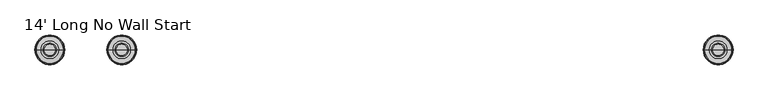
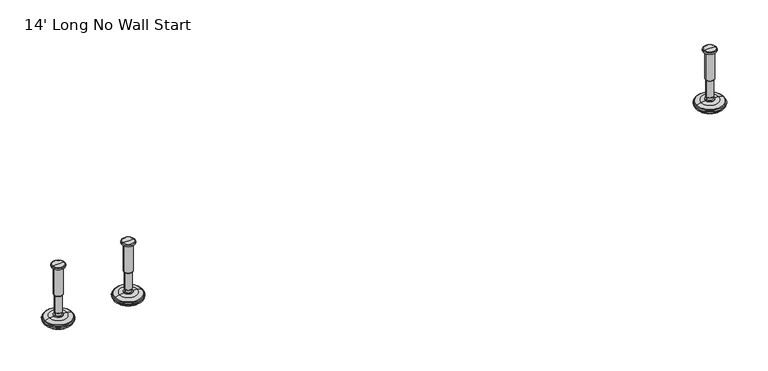
"""IFC4 building model written with IfcOpenShell, lengths in millimetres: furniture geometry, 14' Long No Wall Start."""

from ifc_helpers import new_model, si_unit, frame, origin, place, context, project, spatial, polyline, circle_curve, source, transform, mapped, element, save
from ifc_brep_helpers import plane_surface, cylinder_surface, revolved_surface, advanced_brep


def furniture_14_long_no_wall_start_33c42f15(model_context):
    return source(origin(), model_context, "Body", "AdvancedBrep", [
        advanced_brep(
        [(3257.7364323, 0.0, 101.6), (3266.7143537, 0.0, 101.6), (3248.7585109, 0.0, 101.6), (3271.8406722, 0.0, 0.0206943), (3257.7364323, 0.0, 0.0206943), (3243.6321924, 0.0, 0.0206943), (3276.718704, 0.0, 1.4194474), (3238.7541606, 0.0, 1.4194474), (3280.480619, 0.0, 4.7394056), (3234.9922456, 0.0, 4.7394056), (3281.5980686, 0.0, 7.5051905), (3233.874796, 0.0, 7.5051905), (3281.5980686, 0.0, 8.3065967), (3233.874796, 0.0, 8.3065967), (3280.7556654, 0.0, 9.8469348), (3234.7171992, 0.0, 9.8469348), (3279.6555228, 0.0, 10.8375077), (3235.8173418, 0.0, 10.8375077), (3272.3518276, 0.0, 12.7338946), (3243.121037, 0.0, 12.7338946), (3264.9336762, 0.0, 13.3828987), (3250.5391884, 0.0, 13.3828987), (3264.9336762, 0.0, 14.1772758), (3250.5391884, 0.0, 14.1772758), (3262.5368834, 0.0, 14.1772758), (3252.9359812, 0.0, 14.1772758), (3262.5368834, 0.0, 18.8098403), (3252.9359812, 0.0, 18.8098403), (3263.552736, 0.0, 19.8256929), (3251.9201286, 0.0, 19.8256929), (3263.552736, 0.0, 48.3056352), (3251.9201286, 0.0, 48.3056352), (3264.7762639, 0.0, 49.9293116), (3250.6966007, 0.0, 49.9293116), (3264.7762639, 0.0, 97.327223), (3250.6966007, 0.0, 97.327223), (3265.6573683, 0.0, 97.6479188), (3249.8154963, 0.0, 97.6479188), (3266.7063572, 0.0, 97.6479188), (3248.7665074, 0.0, 97.6479188), (3268.3713871, 0.0, 98.6092242), (3247.1014775, 0.0, 98.6092242), (3268.3713871, 0.0, 100.6043539), (3247.1014775, 0.0, 100.6043539)],
        [
            (0, 1),
            (1, 2, circle_curve(frame((3257.7364323, 0.0, 101.6), z_axis=(0.0, 0.0, 1.0), x_axis=(-1.0, 0.0, 0.0)), 8.9779214)),
            (2, 0),
            (2, 1, circle_curve(frame((3257.7364323, 0.0, 101.6), z_axis=(0.0, 0.0, 1.0), x_axis=(-1.0, 0.0, 0.0)), 8.9779214)),
            (3, 4),
            (4, 5),
            (5, 3, circle_curve(frame((3257.7364323, 0.0, 0.0206943), z_axis=(0.0, 0.0, -1.0), x_axis=(-1.0, 0.0, 0.0)), 14.1042399)),
            (3, 5, circle_curve(frame((3257.7364323, 0.0, 0.0206943), z_axis=(0.0, 0.0, -1.0), x_axis=(-1.0, 0.0, 0.0)), 14.1042399)),
            (6, 3),
            (5, 7),
            (7, 6, circle_curve(frame((3257.7364323, 0.0, 1.4194474), z_axis=(0.0, 0.0, -1.0), x_axis=(-1.0, 0.0, 0.0)), 18.9822717)),
            (6, 7, circle_curve(frame((3257.7364323, 0.0, 1.4194474), z_axis=(0.0, 0.0, -1.0), x_axis=(-1.0, 0.0, 0.0)), 18.9822717)),
            (8, 6),
            (7, 9),
            (9, 8, circle_curve(frame((3257.7364323, 0.0, 4.7394056), z_axis=(0.0, 0.0, -1.0), x_axis=(-1.0, 0.0, 0.0)), 22.7441867)),
            (8, 9, circle_curve(frame((3257.7364323, 0.0, 4.7394056), z_axis=(0.0, 0.0, -1.0), x_axis=(-1.0, 0.0, 0.0)), 22.7441867)),
            (10, 8),
            (9, 11),
            (11, 10, circle_curve(frame((3257.7364323, 0.0, 7.5051905), z_axis=(0.0, 0.0, -1.0), x_axis=(-1.0, 0.0, 0.0)), 23.8616363)),
            (10, 11, circle_curve(frame((3257.7364323, 0.0, 7.5051905), z_axis=(0.0, 0.0, -1.0), x_axis=(-1.0, 0.0, 0.0)), 23.8616363)),
            (12, 10),
            (11, 13),
            (13, 12, circle_curve(frame((3257.7364323, 0.0, 8.3065967), z_axis=(0.0, 0.0, -1.0), x_axis=(-1.0, 0.0, 0.0)), 23.8616363)),
            (12, 13, circle_curve(frame((3257.7364323, 0.0, 8.3065967), z_axis=(0.0, 0.0, -1.0), x_axis=(-1.0, 0.0, 0.0)), 23.8616363)),
            (14, 12),
            (13, 15),
            (15, 14, circle_curve(frame((3257.7364323, 0.0, 9.8469348), z_axis=(0.0, 0.0, -1.0), x_axis=(-1.0, 0.0, 0.0)), 23.0192331)),
            (14, 15, circle_curve(frame((3257.7364323, 0.0, 9.8469348), z_axis=(0.0, 0.0, -1.0), x_axis=(-1.0, 0.0, 0.0)), 23.0192331)),
            (16, 14),
            (15, 17),
            (17, 16, circle_curve(frame((3257.7364323, 0.0, 10.8375077), z_axis=(0.0, 0.0, -1.0), x_axis=(-1.0, 0.0, 0.0)), 21.9190905)),
            (16, 17, circle_curve(frame((3257.7364323, 0.0, 10.8375077), z_axis=(0.0, 0.0, -1.0), x_axis=(-1.0, 0.0, 0.0)), 21.9190905)),
            (18, 16),
            (17, 19),
            (19, 18, circle_curve(frame((3257.7364323, 0.0, 12.7338946), z_axis=(0.0, 0.0, -1.0), x_axis=(-1.0, 0.0, 0.0)), 14.6153953)),
            (18, 19, circle_curve(frame((3257.7364323, 0.0, 12.7338946), z_axis=(0.0, 0.0, -1.0), x_axis=(-1.0, 0.0, 0.0)), 14.6153953)),
            (20, 18),
            (19, 21),
            (21, 20, circle_curve(frame((3257.7364323, 0.0, 13.3828987), z_axis=(0.0, 0.0, -1.0), x_axis=(-1.0, 0.0, 0.0)), 7.1972439)),
            (20, 21, circle_curve(frame((3257.7364323, 0.0, 13.3828987), z_axis=(0.0, 0.0, -1.0), x_axis=(-1.0, 0.0, 0.0)), 7.1972439)),
            (22, 20),
            (21, 23),
            (23, 22, circle_curve(frame((3257.7364323, 0.0, 14.1772758), z_axis=(0.0, 0.0, -1.0), x_axis=(-1.0, 0.0, 0.0)), 7.1972439)),
            (22, 23, circle_curve(frame((3257.7364323, 0.0, 14.1772758), z_axis=(0.0, 0.0, -1.0), x_axis=(-1.0, 0.0, 0.0)), 7.1972439)),
            (24, 22),
            (23, 25),
            (25, 24, circle_curve(frame((3257.7364323, 0.0, 14.1772758), z_axis=(0.0, 0.0, -1.0), x_axis=(-1.0, 0.0, 0.0)), 4.8004511)),
            (24, 25, circle_curve(frame((3257.7364323, 0.0, 14.1772758), z_axis=(0.0, 0.0, -1.0), x_axis=(-1.0, 0.0, 0.0)), 4.8004511)),
            (26, 24),
            (25, 27),
            (27, 26, circle_curve(frame((3257.7364323, 0.0, 18.8098403), z_axis=(0.0, 0.0, -1.0), x_axis=(-1.0, 0.0, 0.0)), 4.8004511)),
            (26, 27, circle_curve(frame((3257.7364323, 0.0, 18.8098403), z_axis=(0.0, 0.0, -1.0), x_axis=(-1.0, 0.0, 0.0)), 4.8004511)),
            (28, 26),
            (27, 29),
            (29, 28, circle_curve(frame((3257.7364323, 0.0, 19.8256929), z_axis=(0.0, 0.0, -1.0), x_axis=(-1.0, 0.0, 0.0)), 5.8163037)),
            (28, 29, circle_curve(frame((3257.7364323, 0.0, 19.8256929), z_axis=(0.0, 0.0, -1.0), x_axis=(-1.0, 0.0, 0.0)), 5.8163037)),
            (30, 28),
            (29, 31),
            (31, 30, circle_curve(frame((3257.7364323, 0.0, 48.3056352), z_axis=(0.0, 0.0, -1.0), x_axis=(-1.0, 0.0, 0.0)), 5.8163037)),
            (30, 31, circle_curve(frame((3257.7364323, 0.0, 48.3056352), z_axis=(0.0, 0.0, -1.0), x_axis=(-1.0, 0.0, 0.0)), 5.8163037)),
            (32, 30),
            (31, 33),
            (33, 32, circle_curve(frame((3257.7364323, 0.0, 49.9293116), z_axis=(0.0, 0.0, -1.0), x_axis=(-1.0, 0.0, 0.0)), 7.0398316)),
            (32, 33, circle_curve(frame((3257.7364323, 0.0, 49.9293116), z_axis=(0.0, 0.0, -1.0), x_axis=(-1.0, 0.0, 0.0)), 7.0398316)),
            (34, 32),
            (33, 35),
            (35, 34, circle_curve(frame((3257.7364323, 0.0, 97.327223), z_axis=(0.0, 0.0, -1.0), x_axis=(-1.0, 0.0, 0.0)), 7.0398316)),
            (34, 35, circle_curve(frame((3257.7364323, 0.0, 97.327223), z_axis=(0.0, 0.0, -1.0), x_axis=(-1.0, 0.0, 0.0)), 7.0398316)),
            (36, 34),
            (35, 37),
            (37, 36, circle_curve(frame((3257.7364323, 0.0, 97.6479188), z_axis=(0.0, 0.0, -1.0), x_axis=(-1.0, 0.0, 0.0)), 7.920936)),
            (36, 37, circle_curve(frame((3257.7364323, 0.0, 97.6479188), z_axis=(0.0, 0.0, -1.0), x_axis=(-1.0, 0.0, 0.0)), 7.920936)),
            (38, 36),
            (37, 39),
            (39, 38, circle_curve(frame((3257.7364323, 0.0, 97.6479188), z_axis=(0.0, 0.0, -1.0), x_axis=(-1.0, 0.0, 0.0)), 8.9699249)),
            (38, 39, circle_curve(frame((3257.7364323, 0.0, 97.6479188), z_axis=(0.0, 0.0, -1.0), x_axis=(-1.0, 0.0, 0.0)), 8.9699249)),
            (40, 38),
            (39, 41),
            (41, 40, circle_curve(frame((3257.7364323, 0.0, 98.6092242), z_axis=(0.0, 0.0, -1.0), x_axis=(-1.0, 0.0, 0.0)), 10.6349548)),
            (40, 41, circle_curve(frame((3257.7364323, 0.0, 98.6092242), z_axis=(0.0, 0.0, -1.0), x_axis=(-1.0, 0.0, 0.0)), 10.6349548)),
            (42, 40),
            (41, 43),
            (43, 42, circle_curve(frame((3257.7364323, 0.0, 100.6043539), z_axis=(0.0, 0.0, -1.0), x_axis=(-1.0, 0.0, 0.0)), 10.6349548)),
            (42, 43, circle_curve(frame((3257.7364323, 0.0, 100.6043539), z_axis=(0.0, 0.0, -1.0), x_axis=(-1.0, 0.0, 0.0)), 10.6349548)),
            (1, 42),
            (43, 2),
        ],
        [
            plane_surface(frame((3257.7364323, 0.0, 101.6), z_axis=(0.0, 0.0, 1.0), x_axis=(-1.0, 0.0, 0.0))),
            plane_surface(frame((3257.7364323, 0.0, 0.0206943), z_axis=(0.0, 0.0, -1.0), x_axis=(-1.0, 0.0, 0.0))),
            revolved_surface(polyline([(3243.6321924, 0.0, 0.0206943), (3238.7541606, 0.0, 1.4194474)]), (3257.7364323, 0.0, 101.6), (0.0, 0.0, 1.0)),
            revolved_surface(polyline([(3238.7541606, 0.0, 1.4194474), (3234.9922456, 0.0, 4.7394056)]), (3257.7364323, 0.0, 101.6), (0.0, 0.0, 1.0)),
            revolved_surface(polyline([(3234.9922456, 0.0, 4.7394056), (3233.874796, 0.0, 7.5051905)]), (3257.7364323, 0.0, 101.6), (0.0, 0.0, 1.0)),
            cylinder_surface(frame((3257.7364323, 0.0, 101.6), z_axis=(0.0, 0.0, 1.0), x_axis=(-1.0, 0.0, 0.0)), 23.8616363),
            revolved_surface(polyline([(3233.874796, 0.0, 8.3065967), (3234.7171992, 0.0, 9.8469348)]), (3257.7364323, 0.0, 101.6), (0.0, 0.0, 1.0)),
            revolved_surface(polyline([(3234.7171992, 0.0, 9.8469348), (3235.8173418, 0.0, 10.8375077)]), (3257.7364323, 0.0, 101.6), (0.0, 0.0, 1.0)),
            revolved_surface(polyline([(3235.8173418, 0.0, 10.8375077), (3243.121037, 0.0, 12.7338946)]), (3257.7364323, 0.0, 101.6), (0.0, 0.0, 1.0)),
            revolved_surface(polyline([(3243.121037, 0.0, 12.7338946), (3250.5391884, 0.0, 13.3828987)]), (3257.7364323, 0.0, 101.6), (0.0, 0.0, 1.0)),
            cylinder_surface(frame((3257.7364323, 0.0, 101.6), z_axis=(0.0, 0.0, 1.0), x_axis=(-1.0, 0.0, 0.0)), 7.1972439),
            plane_surface(frame((3257.7364323, 0.0, 14.1772758), z_axis=(0.0, 0.0, 1.0), x_axis=(-1.0, 0.0, 0.0))),
            cylinder_surface(frame((3257.7364323, 0.0, 101.6), z_axis=(0.0, 0.0, 1.0), x_axis=(-1.0, 0.0, 0.0)), 4.8004511),
            revolved_surface(polyline([(3252.9359812, 0.0, 18.8098403), (3251.9201286, 0.0, 19.8256929)]), (3257.7364323, 0.0, 101.6), (0.0, 0.0, 1.0)),
            cylinder_surface(frame((3257.7364323, 0.0, 101.6), z_axis=(0.0, 0.0, 1.0), x_axis=(-1.0, 0.0, 0.0)), 5.8163037),
            revolved_surface(polyline([(3251.9201286, 0.0, 48.3056352), (3250.6966007, 0.0, 49.9293116)]), (3257.7364323, 0.0, 101.6), (0.0, 0.0, 1.0)),
            cylinder_surface(frame((3257.7364323, 0.0, 101.6), z_axis=(0.0, 0.0, 1.0), x_axis=(-1.0, 0.0, 0.0)), 7.0398316),
            revolved_surface(polyline([(3250.6966007, 0.0, 97.327223), (3249.8154963, 0.0, 97.6479188)]), (3257.7364323, 0.0, 101.6), (0.0, 0.0, 1.0)),
            plane_surface(frame((3257.7364323, 0.0, 97.6479188), z_axis=(0.0, 0.0, -1.0), x_axis=(-1.0, 0.0, 0.0))),
            revolved_surface(polyline([(3248.7665074, 0.0, 97.6479188), (3247.1014775, 0.0, 98.6092242)]), (3257.7364323, 0.0, 101.6), (0.0, 0.0, 1.0)),
            cylinder_surface(frame((3257.7364323, 0.0, 101.6), z_axis=(0.0, 0.0, 1.0), x_axis=(-1.0, 0.0, 0.0)), 10.6349548),
            revolved_surface(polyline([(3247.1014775, 0.0, 100.6043539), (3248.7585109, 0.0, 101.6)]), (3257.7364323, 0.0, 101.6), (0.0, 0.0, 1.0)),
        ],
        [
            (0, [[1, 2, 3]]),
            (0, [[-3, 4, -1]]),
            (1, [[5, 6, 7]]),
            (1, [[-6, -5, 8]]),
            (2, [[9, -7, 10, 11]]),
            (2, [[-10, -8, -9, 12]]),
            (3, [[13, -11, 14, 15]]),
            (3, [[-14, -12, -13, 16]]),
            (4, [[17, -15, 18, 19]]),
            (4, [[-18, -16, -17, 20]]),
            (5, [[21, -19, 22, 23]]),
            (5, [[-22, -20, -21, 24]]),
            (6, [[25, -23, 26, 27]]),
            (6, [[-26, -24, -25, 28]]),
            (7, [[29, -27, 30, 31]]),
            (7, [[-30, -28, -29, 32]]),
            (8, [[33, -31, 34, 35]]),
            (8, [[-34, -32, -33, 36]]),
            (9, [[37, -35, 38, 39]]),
            (9, [[-38, -36, -37, 40]]),
            (10, [[41, -39, 42, 43]]),
            (10, [[-42, -40, -41, 44]]),
            (11, [[45, -43, 46, 47]]),
            (11, [[-46, -44, -45, 48]]),
            (12, [[49, -47, 50, 51]]),
            (12, [[-50, -48, -49, 52]]),
            (13, [[53, -51, 54, 55]]),
            (13, [[-54, -52, -53, 56]]),
            (14, [[57, -55, 58, 59]]),
            (14, [[-58, -56, -57, 60]]),
            (15, [[61, -59, 62, 63]]),
            (15, [[-62, -60, -61, 64]]),
            (16, [[65, -63, 66, 67]]),
            (16, [[-66, -64, -65, 68]]),
            (17, [[69, -67, 70, 71]]),
            (17, [[-70, -68, -69, 72]]),
            (18, [[73, -71, 74, 75]]),
            (18, [[-74, -72, -73, 76]]),
            (19, [[77, -75, 78, 79]]),
            (19, [[-78, -76, -77, 80]]),
            (20, [[81, -79, 82, 83]]),
            (20, [[-82, -80, -81, 84]]),
            (21, [[85, -83, 86, -2]]),
            (21, [[-86, -84, -85, -4]]),
        ],
    ),
        advanced_brep(
        [(3143.0635677, 0.0, 101.6), (3152.0414891, 0.0, 101.6), (3134.0856463, 0.0, 101.6), (3128.9593278, 0.0, 0.0206943), (3157.1678076, 0.0, 0.0206943), (3143.0635677, 0.0, 0.0206943), (3124.081296, 0.0, 1.4194474), (3162.0458394, 0.0, 1.4194474), (3120.319381, 0.0, 4.7394056), (3165.8077544, 0.0, 4.7394056), (3119.2019314, 0.0, 7.5051905), (3166.925204, 0.0, 7.5051905), (3119.2019314, 0.0, 8.3065967), (3166.925204, 0.0, 8.3065967), (3120.0443346, 0.0, 9.8469348), (3166.0828008, 0.0, 9.8469348), (3121.1444772, 0.0, 10.8375077), (3164.9826582, 0.0, 10.8375077), (3128.4481724, 0.0, 12.7338946), (3157.678963, 0.0, 12.7338946), (3135.8663238, 0.0, 13.3828987), (3150.2608116, 0.0, 13.3828987), (3135.8663238, 0.0, 14.1772758), (3150.2608116, 0.0, 14.1772758), (3138.2631166, 0.0, 14.1772758), (3147.8640188, 0.0, 14.1772758), (3138.2631166, 0.0, 18.8098403), (3147.8640188, 0.0, 18.8098403), (3137.247264, 0.0, 19.8256929), (3148.8798714, 0.0, 19.8256929), (3137.247264, 0.0, 48.3056352), (3148.8798714, 0.0, 48.3056352), (3136.0237361, 0.0, 49.9293116), (3150.1033993, 0.0, 49.9293116), (3136.0237361, 0.0, 97.327223), (3150.1033993, 0.0, 97.327223), (3135.1426317, 0.0, 97.6479188), (3150.9845037, 0.0, 97.6479188), (3134.0936428, 0.0, 97.6479188), (3152.0334926, 0.0, 97.6479188), (3132.4286129, 0.0, 98.6092242), (3153.6985225, 0.0, 98.6092242), (3132.4286129, 0.0, 100.6043539), (3153.6985225, 0.0, 100.6043539)],
        [
            (0, 1),
            (1, 2, circle_curve(frame((3143.0635677, 0.0, 101.6), z_axis=(0.0, 0.0, 1.0), x_axis=(1.0, 0.0, 0.0)), 8.9779214)),
            (2, 0),
            (2, 1, circle_curve(frame((3143.0635677, 0.0, 101.6), z_axis=(0.0, 0.0, 1.0), x_axis=(1.0, 0.0, 0.0)), 8.9779214)),
            (3, 4, circle_curve(frame((3143.0635677, 0.0, 0.0206943), z_axis=(0.0, 0.0, -1.0), x_axis=(1.0, 0.0, 0.0)), 14.1042399)),
            (4, 5),
            (5, 3),
            (4, 3, circle_curve(frame((3143.0635677, 0.0, 0.0206943), z_axis=(0.0, 0.0, -1.0), x_axis=(1.0, 0.0, 0.0)), 14.1042399)),
            (6, 7, circle_curve(frame((3143.0635677, 0.0, 1.4194474), z_axis=(0.0, 0.0, -1.0), x_axis=(1.0, 0.0, 0.0)), 18.9822717)),
            (7, 4),
            (3, 6),
            (7, 6, circle_curve(frame((3143.0635677, 0.0, 1.4194474), z_axis=(0.0, 0.0, -1.0), x_axis=(1.0, 0.0, 0.0)), 18.9822717)),
            (8, 9, circle_curve(frame((3143.0635677, 0.0, 4.7394056), z_axis=(0.0, 0.0, -1.0), x_axis=(1.0, 0.0, 0.0)), 22.7441867)),
            (9, 7),
            (6, 8),
            (9, 8, circle_curve(frame((3143.0635677, 0.0, 4.7394056), z_axis=(0.0, 0.0, -1.0), x_axis=(1.0, 0.0, 0.0)), 22.7441867)),
            (10, 11, circle_curve(frame((3143.0635677, 0.0, 7.5051905), z_axis=(0.0, 0.0, -1.0), x_axis=(1.0, 0.0, 0.0)), 23.8616363)),
            (11, 9),
            (8, 10),
            (11, 10, circle_curve(frame((3143.0635677, 0.0, 7.5051905), z_axis=(0.0, 0.0, -1.0), x_axis=(1.0, 0.0, 0.0)), 23.8616363)),
            (12, 13, circle_curve(frame((3143.0635677, 0.0, 8.3065967), z_axis=(0.0, 0.0, -1.0), x_axis=(1.0, 0.0, 0.0)), 23.8616363)),
            (13, 11),
            (10, 12),
            (13, 12, circle_curve(frame((3143.0635677, 0.0, 8.3065967), z_axis=(0.0, 0.0, -1.0), x_axis=(1.0, 0.0, 0.0)), 23.8616363)),
            (14, 15, circle_curve(frame((3143.0635677, 0.0, 9.8469348), z_axis=(0.0, 0.0, -1.0), x_axis=(1.0, 0.0, 0.0)), 23.0192331)),
            (15, 13),
            (12, 14),
            (15, 14, circle_curve(frame((3143.0635677, 0.0, 9.8469348), z_axis=(0.0, 0.0, -1.0), x_axis=(1.0, 0.0, 0.0)), 23.0192331)),
            (16, 17, circle_curve(frame((3143.0635677, 0.0, 10.8375077), z_axis=(0.0, 0.0, -1.0), x_axis=(1.0, 0.0, 0.0)), 21.9190905)),
            (17, 15),
            (14, 16),
            (17, 16, circle_curve(frame((3143.0635677, 0.0, 10.8375077), z_axis=(0.0, 0.0, -1.0), x_axis=(1.0, 0.0, 0.0)), 21.9190905)),
            (18, 19, circle_curve(frame((3143.0635677, 0.0, 12.7338946), z_axis=(0.0, 0.0, -1.0), x_axis=(1.0, 0.0, 0.0)), 14.6153953)),
            (19, 17),
            (16, 18),
            (19, 18, circle_curve(frame((3143.0635677, 0.0, 12.7338946), z_axis=(0.0, 0.0, -1.0), x_axis=(1.0, 0.0, 0.0)), 14.6153953)),
            (20, 21, circle_curve(frame((3143.0635677, 0.0, 13.3828987), z_axis=(0.0, 0.0, -1.0), x_axis=(1.0, 0.0, 0.0)), 7.1972439)),
            (21, 19),
            (18, 20),
            (21, 20, circle_curve(frame((3143.0635677, 0.0, 13.3828987), z_axis=(0.0, 0.0, -1.0), x_axis=(1.0, 0.0, 0.0)), 7.1972439)),
            (22, 23, circle_curve(frame((3143.0635677, 0.0, 14.1772758), z_axis=(0.0, 0.0, -1.0), x_axis=(1.0, 0.0, 0.0)), 7.1972439)),
            (23, 21),
            (20, 22),
            (23, 22, circle_curve(frame((3143.0635677, 0.0, 14.1772758), z_axis=(0.0, 0.0, -1.0), x_axis=(1.0, 0.0, 0.0)), 7.1972439)),
            (24, 25, circle_curve(frame((3143.0635677, 0.0, 14.1772758), z_axis=(0.0, 0.0, -1.0), x_axis=(1.0, 0.0, 0.0)), 4.8004511)),
            (25, 23),
            (22, 24),
            (25, 24, circle_curve(frame((3143.0635677, 0.0, 14.1772758), z_axis=(0.0, 0.0, -1.0), x_axis=(1.0, 0.0, 0.0)), 4.8004511)),
            (26, 27, circle_curve(frame((3143.0635677, 0.0, 18.8098403), z_axis=(0.0, 0.0, -1.0), x_axis=(1.0, 0.0, 0.0)), 4.8004511)),
            (27, 25),
            (24, 26),
            (27, 26, circle_curve(frame((3143.0635677, 0.0, 18.8098403), z_axis=(0.0, 0.0, -1.0), x_axis=(1.0, 0.0, 0.0)), 4.8004511)),
            (28, 29, circle_curve(frame((3143.0635677, 0.0, 19.8256929), z_axis=(0.0, 0.0, -1.0), x_axis=(1.0, 0.0, 0.0)), 5.8163037)),
            (29, 27),
            (26, 28),
            (29, 28, circle_curve(frame((3143.0635677, 0.0, 19.8256929), z_axis=(0.0, 0.0, -1.0), x_axis=(1.0, 0.0, 0.0)), 5.8163037)),
            (30, 31, circle_curve(frame((3143.0635677, 0.0, 48.3056352), z_axis=(0.0, 0.0, -1.0), x_axis=(1.0, 0.0, 0.0)), 5.8163037)),
            (31, 29),
            (28, 30),
            (31, 30, circle_curve(frame((3143.0635677, 0.0, 48.3056352), z_axis=(0.0, 0.0, -1.0), x_axis=(1.0, 0.0, 0.0)), 5.8163037)),
            (32, 33, circle_curve(frame((3143.0635677, 0.0, 49.9293116), z_axis=(0.0, 0.0, -1.0), x_axis=(1.0, 0.0, 0.0)), 7.0398316)),
            (33, 31),
            (30, 32),
            (33, 32, circle_curve(frame((3143.0635677, 0.0, 49.9293116), z_axis=(0.0, 0.0, -1.0), x_axis=(1.0, 0.0, 0.0)), 7.0398316)),
            (34, 35, circle_curve(frame((3143.0635677, 0.0, 97.327223), z_axis=(0.0, 0.0, -1.0), x_axis=(1.0, 0.0, 0.0)), 7.0398316)),
            (35, 33),
            (32, 34),
            (35, 34, circle_curve(frame((3143.0635677, 0.0, 97.327223), z_axis=(0.0, 0.0, -1.0), x_axis=(1.0, 0.0, 0.0)), 7.0398316)),
            (36, 37, circle_curve(frame((3143.0635677, 0.0, 97.6479188), z_axis=(0.0, 0.0, -1.0), x_axis=(1.0, 0.0, 0.0)), 7.920936)),
            (37, 35),
            (34, 36),
            (37, 36, circle_curve(frame((3143.0635677, 0.0, 97.6479188), z_axis=(0.0, 0.0, -1.0), x_axis=(1.0, 0.0, 0.0)), 7.920936)),
            (38, 39, circle_curve(frame((3143.0635677, 0.0, 97.6479188), z_axis=(0.0, 0.0, -1.0), x_axis=(1.0, 0.0, 0.0)), 8.9699249)),
            (39, 37),
            (36, 38),
            (39, 38, circle_curve(frame((3143.0635677, 0.0, 97.6479188), z_axis=(0.0, 0.0, -1.0), x_axis=(1.0, 0.0, 0.0)), 8.9699249)),
            (40, 41, circle_curve(frame((3143.0635677, 0.0, 98.6092242), z_axis=(0.0, 0.0, -1.0), x_axis=(1.0, 0.0, 0.0)), 10.6349548)),
            (41, 39),
            (38, 40),
            (41, 40, circle_curve(frame((3143.0635677, 0.0, 98.6092242), z_axis=(0.0, 0.0, -1.0), x_axis=(1.0, 0.0, 0.0)), 10.6349548)),
            (42, 43, circle_curve(frame((3143.0635677, 0.0, 100.6043539), z_axis=(0.0, 0.0, -1.0), x_axis=(1.0, 0.0, 0.0)), 10.6349548)),
            (43, 41),
            (40, 42),
            (43, 42, circle_curve(frame((3143.0635677, 0.0, 100.6043539), z_axis=(0.0, 0.0, -1.0), x_axis=(1.0, 0.0, 0.0)), 10.6349548)),
            (1, 43),
            (42, 2),
        ],
        [
            plane_surface(frame((3143.0635677, 0.0, 101.6), z_axis=(0.0, 0.0, 1.0), x_axis=(1.0, 0.0, 0.0))),
            plane_surface(frame((3143.0635677, 0.0, 0.0206943), z_axis=(0.0, 0.0, -1.0), x_axis=(1.0, 0.0, 0.0))),
            revolved_surface(polyline([(3157.1678076, 0.0, 0.0206943), (3162.0458394, 0.0, 1.4194474)]), (3143.0635677, 0.0, 101.6), (0.0, 0.0, 1.0)),
            revolved_surface(polyline([(3162.0458394, 0.0, 1.4194474), (3165.8077544, 0.0, 4.7394056)]), (3143.0635677, 0.0, 101.6), (0.0, 0.0, 1.0)),
            revolved_surface(polyline([(3165.8077544, 0.0, 4.7394056), (3166.925204, 0.0, 7.5051905)]), (3143.0635677, 0.0, 101.6), (0.0, 0.0, 1.0)),
            cylinder_surface(frame((3143.0635677, 0.0, 101.6), z_axis=(0.0, 0.0, 1.0), x_axis=(1.0, 0.0, 0.0)), 23.8616363),
            revolved_surface(polyline([(3166.925204, 0.0, 8.3065967), (3166.0828008, 0.0, 9.8469348)]), (3143.0635677, 0.0, 101.6), (0.0, 0.0, 1.0)),
            revolved_surface(polyline([(3166.0828008, 0.0, 9.8469348), (3164.9826582, 0.0, 10.8375077)]), (3143.0635677, 0.0, 101.6), (0.0, 0.0, 1.0)),
            revolved_surface(polyline([(3164.9826582, 0.0, 10.8375077), (3157.678963, 0.0, 12.7338946)]), (3143.0635677, 0.0, 101.6), (0.0, 0.0, 1.0)),
            revolved_surface(polyline([(3157.678963, 0.0, 12.7338946), (3150.2608116, 0.0, 13.3828987)]), (3143.0635677, 0.0, 101.6), (0.0, 0.0, 1.0)),
            cylinder_surface(frame((3143.0635677, 0.0, 101.6), z_axis=(0.0, 0.0, 1.0), x_axis=(1.0, 0.0, 0.0)), 7.1972439),
            plane_surface(frame((3143.0635677, 0.0, 14.1772758), z_axis=(0.0, 0.0, 1.0), x_axis=(1.0, 0.0, 0.0))),
            cylinder_surface(frame((3143.0635677, 0.0, 101.6), z_axis=(0.0, 0.0, 1.0), x_axis=(1.0, 0.0, 0.0)), 4.8004511),
            revolved_surface(polyline([(3147.8640188, 0.0, 18.8098403), (3148.8798714, 0.0, 19.8256929)]), (3143.0635677, 0.0, 101.6), (0.0, 0.0, 1.0)),
            cylinder_surface(frame((3143.0635677, 0.0, 101.6), z_axis=(0.0, 0.0, 1.0), x_axis=(1.0, 0.0, 0.0)), 5.8163037),
            revolved_surface(polyline([(3148.8798714, 0.0, 48.3056352), (3150.1033993, 0.0, 49.9293116)]), (3143.0635677, 0.0, 101.6), (0.0, 0.0, 1.0)),
            cylinder_surface(frame((3143.0635677, 0.0, 101.6), z_axis=(0.0, 0.0, 1.0), x_axis=(1.0, 0.0, 0.0)), 7.0398316),
            revolved_surface(polyline([(3150.1033993, 0.0, 97.327223), (3150.9845037, 0.0, 97.6479188)]), (3143.0635677, 0.0, 101.6), (0.0, 0.0, 1.0)),
            plane_surface(frame((3143.0635677, 0.0, 97.6479188), z_axis=(0.0, 0.0, -1.0), x_axis=(1.0, 0.0, 0.0))),
            revolved_surface(polyline([(3152.0334926, 0.0, 97.6479188), (3153.6985225, 0.0, 98.6092242)]), (3143.0635677, 0.0, 101.6), (0.0, 0.0, 1.0)),
            cylinder_surface(frame((3143.0635677, 0.0, 101.6), z_axis=(0.0, 0.0, 1.0), x_axis=(1.0, 0.0, 0.0)), 10.6349548),
            revolved_surface(polyline([(3153.6985225, 0.0, 100.6043539), (3152.0414891, 0.0, 101.6)]), (3143.0635677, 0.0, 101.6), (0.0, 0.0, 1.0)),
        ],
        [
            (0, [[1, 2, 3]]),
            (0, [[-3, 4, -1]]),
            (1, [[5, 6, 7]]),
            (1, [[8, -7, -6]]),
            (2, [[9, 10, -5, 11]]),
            (2, [[12, -11, -8, -10]]),
            (3, [[13, 14, -9, 15]]),
            (3, [[16, -15, -12, -14]]),
            (4, [[17, 18, -13, 19]]),
            (4, [[20, -19, -16, -18]]),
            (5, [[21, 22, -17, 23]]),
            (5, [[24, -23, -20, -22]]),
            (6, [[25, 26, -21, 27]]),
            (6, [[28, -27, -24, -26]]),
            (7, [[29, 30, -25, 31]]),
            (7, [[32, -31, -28, -30]]),
            (8, [[33, 34, -29, 35]]),
            (8, [[36, -35, -32, -34]]),
            (9, [[37, 38, -33, 39]]),
            (9, [[40, -39, -36, -38]]),
            (10, [[41, 42, -37, 43]]),
            (10, [[44, -43, -40, -42]]),
            (11, [[45, 46, -41, 47]]),
            (11, [[48, -47, -44, -46]]),
            (12, [[49, 50, -45, 51]]),
            (12, [[52, -51, -48, -50]]),
            (13, [[53, 54, -49, 55]]),
            (13, [[56, -55, -52, -54]]),
            (14, [[57, 58, -53, 59]]),
            (14, [[60, -59, -56, -58]]),
            (15, [[61, 62, -57, 63]]),
            (15, [[64, -63, -60, -62]]),
            (16, [[65, 66, -61, 67]]),
            (16, [[68, -67, -64, -66]]),
            (17, [[69, 70, -65, 71]]),
            (17, [[72, -71, -68, -70]]),
            (18, [[73, 74, -69, 75]]),
            (18, [[76, -75, -72, -74]]),
            (19, [[77, 78, -73, 79]]),
            (19, [[80, -79, -76, -78]]),
            (20, [[81, 82, -77, 83]]),
            (20, [[84, -83, -80, -82]]),
            (21, [[-2, 85, -81, 86]]),
            (21, [[-4, -86, -84, -85]]),
        ],
    ),
        advanced_brep(
        [(4210.1372135, 0.0, 101.6), (4219.115135, 0.0, 101.6), (4201.1592921, 0.0, 101.6), (4224.2414535, 0.0, 0.0206943), (4210.1372135, 0.0, 0.0206943), (4196.0329736, 0.0, 0.0206943), (4229.1194852, 0.0, 1.4194474), (4191.1549419, 0.0, 1.4194474), (4232.8814003, 0.0, 4.7394056), (4187.3930268, 0.0, 4.7394056), (4233.9988499, 0.0, 7.5051905), (4186.2755772, 0.0, 7.5051905), (4233.9988499, 0.0, 8.3065967), (4186.2755772, 0.0, 8.3065967), (4233.1564467, 0.0, 9.8469348), (4187.1179804, 0.0, 9.8469348), (4232.056304, 0.0, 10.8375077), (4188.2181231, 0.0, 10.8375077), (4224.7526088, 0.0, 12.7338946), (4195.5218183, 0.0, 12.7338946), (4217.3344574, 0.0, 13.3828987), (4202.9399696, 0.0, 13.3828987), (4217.3344574, 0.0, 14.1772758), (4202.9399696, 0.0, 14.1772758), (4214.9376646, 0.0, 14.1772758), (4205.3367625, 0.0, 14.1772758), (4214.9376646, 0.0, 18.8098403), (4205.3367625, 0.0, 18.8098403), (4215.9535173, 0.0, 19.8256929), (4204.3209098, 0.0, 19.8256929), (4215.9535173, 0.0, 48.3056352), (4204.3209098, 0.0, 48.3056352), (4217.1770452, 0.0, 49.9293116), (4203.0973819, 0.0, 49.9293116), (4217.1770452, 0.0, 97.327223), (4203.0973819, 0.0, 97.327223), (4218.0581495, 0.0, 97.6479188), (4202.2162776, 0.0, 97.6479188), (4219.1071385, 0.0, 97.6479188), (4201.1672886, 0.0, 97.6479188), (4220.7721684, 0.0, 98.6092242), (4199.5022587, 0.0, 98.6092242), (4220.7721684, 0.0, 100.6043539), (4199.5022587, 0.0, 100.6043539)],
        [
            (0, 1),
            (1, 2, circle_curve(frame((4210.1372135, 0.0, 101.6), z_axis=(0.0, 0.0, 1.0), x_axis=(-1.0, 0.0, 0.0)), 8.9779214)),
            (2, 0),
            (2, 1, circle_curve(frame((4210.1372135, 0.0, 101.6), z_axis=(0.0, 0.0, 1.0), x_axis=(-1.0, 0.0, 0.0)), 8.9779214)),
            (3, 4),
            (4, 5),
            (5, 3, circle_curve(frame((4210.1372135, 0.0, 0.0206943), z_axis=(0.0, 0.0, -1.0), x_axis=(-1.0, 0.0, 0.0)), 14.1042399)),
            (3, 5, circle_curve(frame((4210.1372135, 0.0, 0.0206943), z_axis=(0.0, 0.0, -1.0), x_axis=(-1.0, 0.0, 0.0)), 14.1042399)),
            (6, 3),
            (5, 7),
            (7, 6, circle_curve(frame((4210.1372135, 0.0, 1.4194474), z_axis=(0.0, 0.0, -1.0), x_axis=(-1.0, 0.0, 0.0)), 18.9822717)),
            (6, 7, circle_curve(frame((4210.1372135, 0.0, 1.4194474), z_axis=(0.0, 0.0, -1.0), x_axis=(-1.0, 0.0, 0.0)), 18.9822717)),
            (8, 6),
            (7, 9),
            (9, 8, circle_curve(frame((4210.1372135, 0.0, 4.7394056), z_axis=(0.0, 0.0, -1.0), x_axis=(-1.0, 0.0, 0.0)), 22.7441867)),
            (8, 9, circle_curve(frame((4210.1372135, 0.0, 4.7394056), z_axis=(0.0, 0.0, -1.0), x_axis=(-1.0, 0.0, 0.0)), 22.7441867)),
            (10, 8),
            (9, 11),
            (11, 10, circle_curve(frame((4210.1372135, 0.0, 7.5051905), z_axis=(0.0, 0.0, -1.0), x_axis=(-1.0, 0.0, 0.0)), 23.8616363)),
            (10, 11, circle_curve(frame((4210.1372135, 0.0, 7.5051905), z_axis=(0.0, 0.0, -1.0), x_axis=(-1.0, 0.0, 0.0)), 23.8616363)),
            (12, 10),
            (11, 13),
            (13, 12, circle_curve(frame((4210.1372135, 0.0, 8.3065967), z_axis=(0.0, 0.0, -1.0), x_axis=(-1.0, 0.0, 0.0)), 23.8616363)),
            (12, 13, circle_curve(frame((4210.1372135, 0.0, 8.3065967), z_axis=(0.0, 0.0, -1.0), x_axis=(-1.0, 0.0, 0.0)), 23.8616363)),
            (14, 12),
            (13, 15),
            (15, 14, circle_curve(frame((4210.1372135, 0.0, 9.8469348), z_axis=(0.0, 0.0, -1.0), x_axis=(-1.0, 0.0, 0.0)), 23.0192331)),
            (14, 15, circle_curve(frame((4210.1372135, 0.0, 9.8469348), z_axis=(0.0, 0.0, -1.0), x_axis=(-1.0, 0.0, 0.0)), 23.0192331)),
            (16, 14),
            (15, 17),
            (17, 16, circle_curve(frame((4210.1372135, 0.0, 10.8375077), z_axis=(0.0, 0.0, -1.0), x_axis=(-1.0, 0.0, 0.0)), 21.9190905)),
            (16, 17, circle_curve(frame((4210.1372135, 0.0, 10.8375077), z_axis=(0.0, 0.0, -1.0), x_axis=(-1.0, 0.0, 0.0)), 21.9190905)),
            (18, 16),
            (17, 19),
            (19, 18, circle_curve(frame((4210.1372135, 0.0, 12.7338946), z_axis=(0.0, 0.0, -1.0), x_axis=(-1.0, 0.0, 0.0)), 14.6153953)),
            (18, 19, circle_curve(frame((4210.1372135, 0.0, 12.7338946), z_axis=(0.0, 0.0, -1.0), x_axis=(-1.0, 0.0, 0.0)), 14.6153953)),
            (20, 18),
            (19, 21),
            (21, 20, circle_curve(frame((4210.1372135, 0.0, 13.3828987), z_axis=(0.0, 0.0, -1.0), x_axis=(-1.0, 0.0, 0.0)), 7.1972439)),
            (20, 21, circle_curve(frame((4210.1372135, 0.0, 13.3828987), z_axis=(0.0, 0.0, -1.0), x_axis=(-1.0, 0.0, 0.0)), 7.1972439)),
            (22, 20),
            (21, 23),
            (23, 22, circle_curve(frame((4210.1372135, 0.0, 14.1772758), z_axis=(0.0, 0.0, -1.0), x_axis=(-1.0, 0.0, 0.0)), 7.1972439)),
            (22, 23, circle_curve(frame((4210.1372135, 0.0, 14.1772758), z_axis=(0.0, 0.0, -1.0), x_axis=(-1.0, 0.0, 0.0)), 7.1972439)),
            (24, 22),
            (23, 25),
            (25, 24, circle_curve(frame((4210.1372135, 0.0, 14.1772758), z_axis=(0.0, 0.0, -1.0), x_axis=(-1.0, 0.0, 0.0)), 4.8004511)),
            (24, 25, circle_curve(frame((4210.1372135, 0.0, 14.1772758), z_axis=(0.0, 0.0, -1.0), x_axis=(-1.0, 0.0, 0.0)), 4.8004511)),
            (26, 24),
            (25, 27),
            (27, 26, circle_curve(frame((4210.1372135, 0.0, 18.8098403), z_axis=(0.0, 0.0, -1.0), x_axis=(-1.0, 0.0, 0.0)), 4.8004511)),
            (26, 27, circle_curve(frame((4210.1372135, 0.0, 18.8098403), z_axis=(0.0, 0.0, -1.0), x_axis=(-1.0, 0.0, 0.0)), 4.8004511)),
            (28, 26),
            (27, 29),
            (29, 28, circle_curve(frame((4210.1372135, 0.0, 19.8256929), z_axis=(0.0, 0.0, -1.0), x_axis=(-1.0, 0.0, 0.0)), 5.8163037)),
            (28, 29, circle_curve(frame((4210.1372135, 0.0, 19.8256929), z_axis=(0.0, 0.0, -1.0), x_axis=(-1.0, 0.0, 0.0)), 5.8163037)),
            (30, 28),
            (29, 31),
            (31, 30, circle_curve(frame((4210.1372135, 0.0, 48.3056352), z_axis=(0.0, 0.0, -1.0), x_axis=(-1.0, 0.0, 0.0)), 5.8163037)),
            (30, 31, circle_curve(frame((4210.1372135, 0.0, 48.3056352), z_axis=(0.0, 0.0, -1.0), x_axis=(-1.0, 0.0, 0.0)), 5.8163037)),
            (32, 30),
            (31, 33),
            (33, 32, circle_curve(frame((4210.1372135, 0.0, 49.9293116), z_axis=(0.0, 0.0, -1.0), x_axis=(-1.0, 0.0, 0.0)), 7.0398316)),
            (32, 33, circle_curve(frame((4210.1372135, 0.0, 49.9293116), z_axis=(0.0, 0.0, -1.0), x_axis=(-1.0, 0.0, 0.0)), 7.0398316)),
            (34, 32),
            (33, 35),
            (35, 34, circle_curve(frame((4210.1372135, 0.0, 97.327223), z_axis=(0.0, 0.0, -1.0), x_axis=(-1.0, 0.0, 0.0)), 7.0398316)),
            (34, 35, circle_curve(frame((4210.1372135, 0.0, 97.327223), z_axis=(0.0, 0.0, -1.0), x_axis=(-1.0, 0.0, 0.0)), 7.0398316)),
            (36, 34),
            (35, 37),
            (37, 36, circle_curve(frame((4210.1372135, 0.0, 97.6479188), z_axis=(0.0, 0.0, -1.0), x_axis=(-1.0, 0.0, 0.0)), 7.920936)),
            (36, 37, circle_curve(frame((4210.1372135, 0.0, 97.6479188), z_axis=(0.0, 0.0, -1.0), x_axis=(-1.0, 0.0, 0.0)), 7.920936)),
            (38, 36),
            (37, 39),
            (39, 38, circle_curve(frame((4210.1372135, 0.0, 97.6479188), z_axis=(0.0, 0.0, -1.0), x_axis=(-1.0, 0.0, 0.0)), 8.9699249)),
            (38, 39, circle_curve(frame((4210.1372135, 0.0, 97.6479188), z_axis=(0.0, 0.0, -1.0), x_axis=(-1.0, 0.0, 0.0)), 8.9699249)),
            (40, 38),
            (39, 41),
            (41, 40, circle_curve(frame((4210.1372135, 0.0, 98.6092242), z_axis=(0.0, 0.0, -1.0), x_axis=(-1.0, 0.0, 0.0)), 10.6349548)),
            (40, 41, circle_curve(frame((4210.1372135, 0.0, 98.6092242), z_axis=(0.0, 0.0, -1.0), x_axis=(-1.0, 0.0, 0.0)), 10.6349548)),
            (42, 40),
            (41, 43),
            (43, 42, circle_curve(frame((4210.1372135, 0.0, 100.6043539), z_axis=(0.0, 0.0, -1.0), x_axis=(-1.0, 0.0, 0.0)), 10.6349548)),
            (42, 43, circle_curve(frame((4210.1372135, 0.0, 100.6043539), z_axis=(0.0, 0.0, -1.0), x_axis=(-1.0, 0.0, 0.0)), 10.6349548)),
            (1, 42),
            (43, 2),
        ],
        [
            plane_surface(frame((4210.1372135, 0.0, 101.6), z_axis=(0.0, 0.0, 1.0), x_axis=(-1.0, 0.0, 0.0))),
            plane_surface(frame((4210.1372135, 0.0, 0.0206943), z_axis=(0.0, 0.0, -1.0), x_axis=(-1.0, 0.0, 0.0))),
            revolved_surface(polyline([(4196.0329736, 0.0, 0.0206943), (4191.1549419, 0.0, 1.4194474)]), (4210.1372135, 0.0, 101.6), (0.0, 0.0, 1.0)),
            revolved_surface(polyline([(4191.1549419, 0.0, 1.4194474), (4187.3930268, 0.0, 4.7394056)]), (4210.1372135, 0.0, 101.6), (0.0, 0.0, 1.0)),
            revolved_surface(polyline([(4187.3930268, 0.0, 4.7394056), (4186.2755772, 0.0, 7.5051905)]), (4210.1372135, 0.0, 101.6), (0.0, 0.0, 1.0)),
            cylinder_surface(frame((4210.1372135, 0.0, 101.6), z_axis=(0.0, 0.0, 1.0), x_axis=(-1.0, 0.0, 0.0)), 23.8616363),
            revolved_surface(polyline([(4186.2755772, 0.0, 8.3065967), (4187.1179804, 0.0, 9.8469348)]), (4210.1372135, 0.0, 101.6), (0.0, 0.0, 1.0)),
            revolved_surface(polyline([(4187.1179804, 0.0, 9.8469348), (4188.2181231, 0.0, 10.8375077)]), (4210.1372135, 0.0, 101.6), (0.0, 0.0, 1.0)),
            revolved_surface(polyline([(4188.2181231, 0.0, 10.8375077), (4195.5218183, 0.0, 12.7338946)]), (4210.1372135, 0.0, 101.6), (0.0, 0.0, 1.0)),
            revolved_surface(polyline([(4195.5218183, 0.0, 12.7338946), (4202.9399696, 0.0, 13.3828987)]), (4210.1372135, 0.0, 101.6), (0.0, 0.0, 1.0)),
            cylinder_surface(frame((4210.1372135, 0.0, 101.6), z_axis=(0.0, 0.0, 1.0), x_axis=(-1.0, 0.0, 0.0)), 7.1972439),
            plane_surface(frame((4210.1372135, 0.0, 14.1772758), z_axis=(0.0, 0.0, 1.0), x_axis=(-1.0, 0.0, 0.0))),
            cylinder_surface(frame((4210.1372135, 0.0, 101.6), z_axis=(0.0, 0.0, 1.0), x_axis=(-1.0, 0.0, 0.0)), 4.8004511),
            revolved_surface(polyline([(4205.3367625, 0.0, 18.8098403), (4204.3209098, 0.0, 19.8256929)]), (4210.1372135, 0.0, 101.6), (0.0, 0.0, 1.0)),
            cylinder_surface(frame((4210.1372135, 0.0, 101.6), z_axis=(0.0, 0.0, 1.0), x_axis=(-1.0, 0.0, 0.0)), 5.8163037),
            revolved_surface(polyline([(4204.3209098, 0.0, 48.3056352), (4203.0973819, 0.0, 49.9293116)]), (4210.1372135, 0.0, 101.6), (0.0, 0.0, 1.0)),
            cylinder_surface(frame((4210.1372135, 0.0, 101.6), z_axis=(0.0, 0.0, 1.0), x_axis=(-1.0, 0.0, 0.0)), 7.0398316),
            revolved_surface(polyline([(4203.0973819, 0.0, 97.327223), (4202.2162776, 0.0, 97.6479188)]), (4210.1372135, 0.0, 101.6), (0.0, 0.0, 1.0)),
            plane_surface(frame((4210.1372135, 0.0, 97.6479188), z_axis=(0.0, 0.0, -1.0), x_axis=(-1.0, 0.0, 0.0))),
            revolved_surface(polyline([(4201.1672886, 0.0, 97.6479188), (4199.5022587, 0.0, 98.6092242)]), (4210.1372135, 0.0, 101.6), (0.0, 0.0, 1.0)),
            cylinder_surface(frame((4210.1372135, 0.0, 101.6), z_axis=(0.0, 0.0, 1.0), x_axis=(-1.0, 0.0, 0.0)), 10.6349548),
            revolved_surface(polyline([(4199.5022587, 0.0, 100.6043539), (4201.1592921, 0.0, 101.6)]), (4210.1372135, 0.0, 101.6), (0.0, 0.0, 1.0)),
        ],
        [
            (0, [[1, 2, 3]]),
            (0, [[-3, 4, -1]]),
            (1, [[5, 6, 7]]),
            (1, [[-6, -5, 8]]),
            (2, [[9, -7, 10, 11]]),
            (2, [[-10, -8, -9, 12]]),
            (3, [[13, -11, 14, 15]]),
            (3, [[-14, -12, -13, 16]]),
            (4, [[17, -15, 18, 19]]),
            (4, [[-18, -16, -17, 20]]),
            (5, [[21, -19, 22, 23]]),
            (5, [[-22, -20, -21, 24]]),
            (6, [[25, -23, 26, 27]]),
            (6, [[-26, -24, -25, 28]]),
            (7, [[29, -27, 30, 31]]),
            (7, [[-30, -28, -29, 32]]),
            (8, [[33, -31, 34, 35]]),
            (8, [[-34, -32, -33, 36]]),
            (9, [[37, -35, 38, 39]]),
            (9, [[-38, -36, -37, 40]]),
            (10, [[41, -39, 42, 43]]),
            (10, [[-42, -40, -41, 44]]),
            (11, [[45, -43, 46, 47]]),
            (11, [[-46, -44, -45, 48]]),
            (12, [[49, -47, 50, 51]]),
            (12, [[-50, -48, -49, 52]]),
            (13, [[53, -51, 54, 55]]),
            (13, [[-54, -52, -53, 56]]),
            (14, [[57, -55, 58, 59]]),
            (14, [[-58, -56, -57, 60]]),
            (15, [[61, -59, 62, 63]]),
            (15, [[-62, -60, -61, 64]]),
            (16, [[65, -63, 66, 67]]),
            (16, [[-66, -64, -65, 68]]),
            (17, [[69, -67, 70, 71]]),
            (17, [[-70, -68, -69, 72]]),
            (18, [[73, -71, 74, 75]]),
            (18, [[-74, -72, -73, 76]]),
            (19, [[77, -75, 78, 79]]),
            (19, [[-78, -76, -77, 80]]),
            (20, [[81, -79, 82, 83]]),
            (20, [[-82, -80, -81, 84]]),
            (21, [[85, -83, 86, -2]]),
            (21, [[-86, -84, -85, -4]]),
        ],
    ),
    ])


if __name__ == "__main__":
    model = new_model("IFC4")
    model_context = context("Model", 3, world=origin())
    ifc_project = project(units=[si_unit("LENGTHUNIT", "METRE", prefix="MILLI")], contexts=[model_context])
    site = spatial("IfcSite", under=ifc_project)
    building = spatial("IfcBuilding", under=site)
    placement = place(None, origin())
    furniture_14_long_no_wall_start_shape = furniture_14_long_no_wall_start_33c42f15(model_context)
    element("IfcFurniture", 1, ObjectType="14' Long No Wall Start", at=placement, inside=building, context=model_context, shape_type="MappedRepresentation", body=[
        mapped(furniture_14_long_no_wall_start_shape, transform((0.0, 0.0, 0.0), x_axis=(1.0, 0.0, 0.0), y_axis=(0.0, 1.0, 0.0), z_axis=(0.0, 0.0, 1.0))),
    ])
    save(model, "model.ifc")
